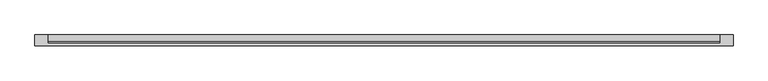
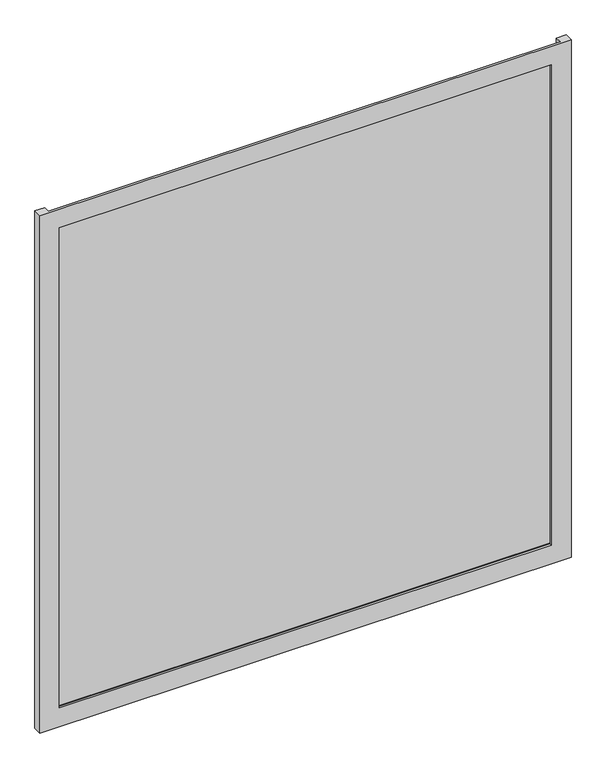
"""IFC4 building model written with IfcOpenShell, lengths in millimetres: plate geometry."""

from ifc_helpers import new_model, si_unit, origin, origin_with_axes, place, context, project, spatial, polyline, outline, extrude, faceted_brep, source, transform, mapped, element, save


def plate_e600108b(model_context):
    return source(origin(), model_context, "Body", "SolidModel", [
        faceted_brep([(675.0, -50.8, -50.0), (675.0, -71.8, -50.0), (-675.0, -71.8, -50.0), (-675.0, -50.8, -50.0), (-650.0, -50.8, -50.0), (-650.0, -66.8, -50.0), (650.0, -66.8, -50.0), (650.0, -50.8, -50.0), (625.0, -71.8, 0.0), (625.0, -66.8, 0.0), (-625.0, -66.8, 0.0), (-625.0, -71.8, 0.0), (675.0, -71.8, 1340.0), (-675.0, -71.8, 1340.0), (-625.0, -71.8, 1290.0), (625.0, -71.8, 1290.0), (-650.0, -66.8, 1340.0), (650.0, -66.8, 1340.0), (625.0, -66.8, 1290.0), (-625.0, -66.8, 1290.0), (675.0, -50.8, 1340.0), (650.0, -50.8, 1340.0), (-650.0, -50.8, 1340.0), (-675.0, -50.8, 1340.0)], [[[0, 1, 2, 3, 4, 5, 6, 7]], [[8, 9, 10, 11]], [[12, 13, 2, 1], [11, 14, 15, 8]], [[16, 17, 6, 5], [9, 18, 19, 10]], [[20, 21, 17, 16, 22, 23, 13, 12]], [[20, 0, 7, 21]], [[21, 7, 6, 17]], [[8, 15, 18, 9]], [[12, 1, 0, 20]], [[22, 4, 3, 23]], [[16, 5, 4, 22]], [[10, 19, 14, 11]], [[23, 3, 2, 13]], [[18, 15, 14, 19]]]),
        extrude(outline(polyline([(650.0, -50.8), (650.0, -63.2), (-650.0, -63.2), (-650.0, -50.8), (650.0, -50.8)])), origin_with_axes(), (0.0, 0.0, 1.0), 1290.0),
    ])


if __name__ == "__main__":
    model = new_model("IFC4")
    model_context = context("Model", 3, world=origin())
    ifc_project = project(units=[si_unit("LENGTHUNIT", "METRE", prefix="MILLI")], contexts=[model_context])
    site = spatial("IfcSite", under=ifc_project)
    building = spatial("IfcBuilding", under=site)
    placement = place(None, origin())
    plate_shape = plate_e600108b(model_context)
    element("IfcPlate", 1, at=placement, inside=building, context=model_context, shape_type="MappedRepresentation", body=[
        mapped(plate_shape, transform((0.0, 0.0, 0.0), x_axis=(1.0, 0.0, 0.0), y_axis=(0.0, 1.0, 0.0), z_axis=(0.0, 0.0, 1.0))),
    ])
    save(model, "model.ifc")
